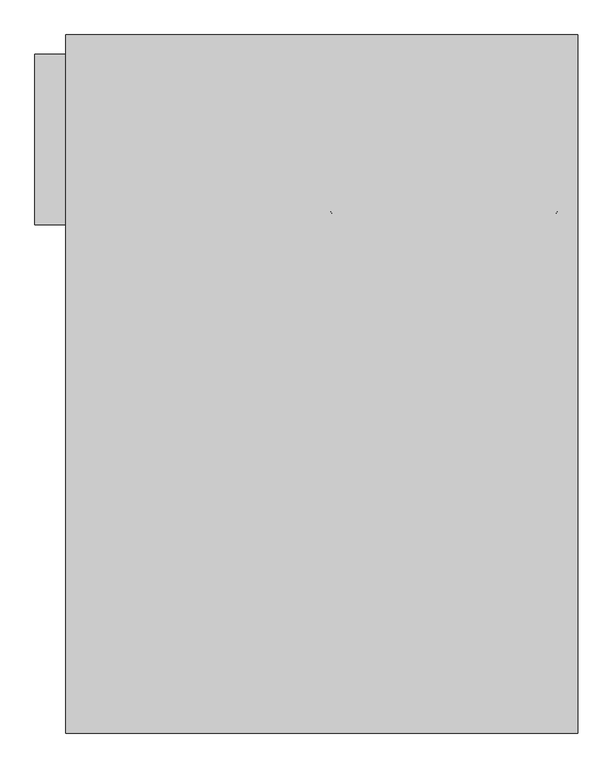
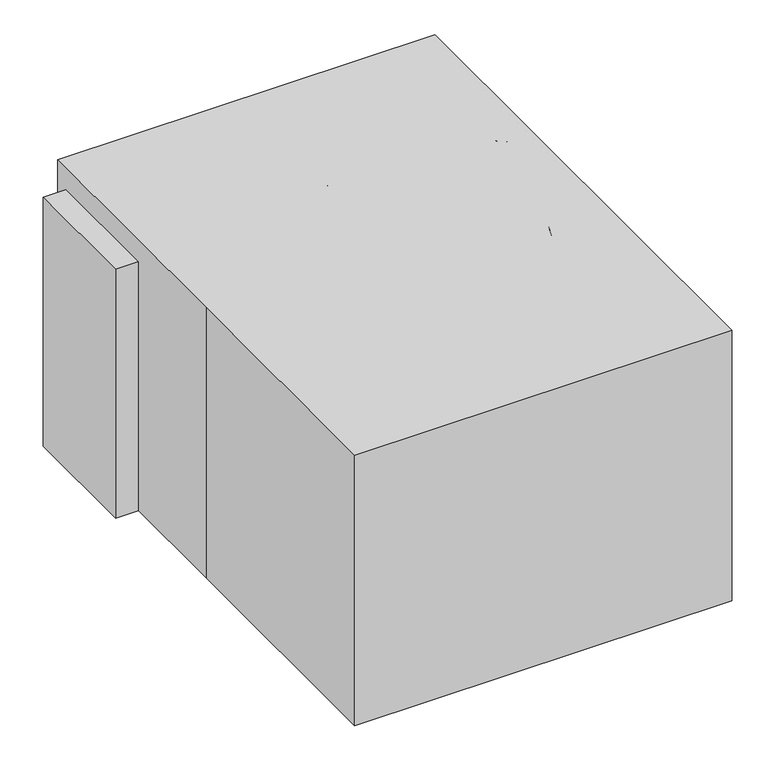
"""IFC4 building model written with IfcOpenShell, lengths in millimetres: proxy geometry."""

from ifc_helpers import new_model, si_unit, point, frame, frame_2d, origin, origin_with_axes, place, context, project, spatial, polyline, circle_curve, ellipse_curve, trimmed, segment, composite_curve, outline, extrude, source, transform, mapped, element, save
from ifc_brep_helpers import plane_surface, cylinder_surface, revolved_surface, advanced_brep


def specialty_equipment_1253727b(model_context):
    return source(origin(), model_context, "Body", "SolidModel", [
        advanced_brep(
        [(-72.5997223, 1051.5011437, 163.5125), (-809.1997223, 1051.5011437, 163.5125), (-809.1997223, 1051.5011437, 1031.748), (-758.3997223, 1051.5011437, 1031.748), (-123.3997223, 1051.5011437, 1031.748), (-72.5997223, 1051.5011437, 1031.748), (-758.3997223, 1051.5011437, 996.442), (-758.3997223, 1051.5011437, 221.742), (-123.3997223, 1051.5011437, 221.742), (-123.3997223, 1051.5011437, 996.442), (-809.1997223, 549.8511437, 163.5125), (-809.1997223, 549.8511437, 1031.748), (-809.1997223, 600.6511437, 1031.748), (-809.1997223, 1000.7011437, 1031.748), (-809.1997223, 1000.7011437, 221.742), (-809.1997223, 1000.7011437, 996.442), (-809.1997223, 608.8862999, 996.442), (-809.1997223, 608.8862999, 221.742), (-777.4497223, 1000.7011437, 221.742), (-777.4497223, 1000.7011437, 996.442), (-777.4497223, 608.8862999, 221.742), (-777.4497223, 608.8862999, 996.442), (-72.5997223, 549.8511437, 163.5125), (-72.5997223, 549.8511437, 1031.748), (-123.3997223, 549.8511437, 1031.748), (-758.3997223, 549.8511437, 1031.748), (-758.3997223, 549.8511437, 221.742), (-758.3997223, 549.8511437, 996.442), (-123.3997223, 549.8511437, 996.442), (-123.3997223, 549.8511437, 221.742), (-758.3997223, 1039.2315193, 221.742), (-758.3997223, 1039.2315193, 996.442), (-123.3997223, 1039.2315193, 221.742), (-123.3997223, 1039.2315193, 996.442), (-72.5997223, 1000.7011437, 1031.748), (-72.5997223, 600.6511437, 1031.748), (-72.5997223, 600.6511437, 221.742), (-72.5997223, 600.6511437, 996.442), (-72.5997223, 1000.7011437, 996.442), (-72.5997223, 1000.7011437, 221.742), (-104.3497223, 600.6511437, 221.742), (-104.3497223, 600.6511437, 996.442), (-104.3497223, 1000.7011437, 221.742), (-104.3497223, 1000.7011437, 996.442), (-123.3997223, 1045.1511437, 221.742), (-123.3997223, 1045.1511437, 996.442), (-758.3997223, 1045.1511437, 221.742), (-758.3997223, 1045.1511437, 996.442), (-72.5997223, 1080.0761437, 1066.8), (-809.1997223, 1080.0761437, 1066.8), (-850.4747223, 1038.8011437, 1066.8), (-850.4747223, 562.5511437, 1066.8), (-809.1997223, 521.2761437, 1066.8), (-758.3997223, 521.2761437, 1066.8), (-758.3997223, 549.8511437, 1066.8), (-809.1997223, 600.6511437, 1066.8), (-809.1997223, 1000.7011437, 1066.8), (-758.3997223, 1051.5011437, 1066.8), (-123.3997223, 1051.5011437, 1066.8), (-72.5997223, 1000.7011437, 1066.8), (-72.5997223, 600.6511437, 1066.8), (-123.3997223, 549.8511437, 1066.8), (-123.3997223, 521.2761437, 1066.8), (-72.5997223, 521.2761437, 1066.8), (-31.3247223, 562.5511437, 1066.8), (-31.3247223, 1038.8011437, 1066.8), (-72.5997223, 1080.0761437, 1031.748), (-31.3247223, 1038.8011437, 1031.748), (-31.3247223, 562.5511437, 1031.748), (-72.5997223, 521.2761437, 1031.748), (-809.1997223, 521.2761437, 1031.748), (-850.4747223, 562.5511437, 1031.748), (-850.4747223, 1038.8011437, 1031.748), (-809.1997223, 1080.0761437, 1031.748), (-141.3602345, 521.2761437, 1048.8394878), (-740.4392101, 521.2761437, 1048.8394878), (-740.4392101, 549.8511437, 1048.8394878), (-141.3602345, 549.8511437, 1048.8394878)],
        [
            (0, 1),
            (1, 2),
            (2, 3),
            (3, 4),
            (4, 5),
            (5, 0),
            (6, 7),
            (7, 8),
            (8, 9),
            (9, 6),
            (1, 10),
            (10, 11),
            (11, 12),
            (12, 13),
            (13, 2),
            (14, 15),
            (15, 16),
            (16, 17),
            (17, 14),
            (14, 18),
            (18, 19),
            (19, 15),
            (18, 20),
            (20, 21),
            (21, 19),
            (20, 17),
            (16, 21),
            (10, 22),
            (22, 23),
            (23, 24),
            (24, 25),
            (25, 11),
            (26, 27),
            (27, 28),
            (28, 29),
            (29, 26),
            (26, 30),
            (30, 31),
            (31, 27),
            (30, 32),
            (32, 33),
            (33, 31),
            (32, 29),
            (28, 33),
            (22, 0),
            (5, 34),
            (34, 35),
            (35, 23),
            (36, 37),
            (37, 38),
            (38, 39),
            (39, 36),
            (36, 40),
            (40, 41),
            (41, 37),
            (40, 42),
            (42, 43),
            (43, 41),
            (42, 39),
            (38, 43),
            (8, 44),
            (44, 45),
            (45, 9),
            (44, 46),
            (46, 47),
            (47, 45),
            (6, 47),
            (46, 7),
            (3, 13, circle_curve(frame((-758.3997223, 1000.7011437, 1031.748), z_axis=(0.0, 0.0, 1.0), x_axis=(1.0, 0.0, 0.0)), 50.8)),
            (12, 25, circle_curve(frame((-758.3997223, 600.6511437, 1031.748), z_axis=(0.0, 0.0, 1.0), x_axis=(1.0, 0.0, 0.0)), 50.8)),
            (24, 35, circle_curve(frame((-123.3997223, 600.6511437, 1031.748), z_axis=(0.0, 0.0, 1.0), x_axis=(1.0, 0.0, 0.0)), 50.8)),
            (34, 4, circle_curve(frame((-123.3997223, 1000.7011437, 1031.748), z_axis=(0.0, 0.0, 1.0), x_axis=(1.0, 0.0, 0.0)), 50.8)),
            (48, 49),
            (49, 50, circle_curve(frame((-809.1997223, 1038.8011437, 1066.8), z_axis=(0.0, 0.0, 1.0), x_axis=(1.0, 0.0, 0.0)), 41.275)),
            (50, 51),
            (51, 52, circle_curve(frame((-809.1997223, 562.5511437, 1066.8), z_axis=(0.0, 0.0, 1.0), x_axis=(1.0, 0.0, 0.0)), 41.275)),
            (52, 53),
            (53, 54),
            (54, 55, circle_curve(frame((-758.3997223, 600.6511437, 1066.8), z_axis=(0.0, 0.0, -1.0), x_axis=(1.0, 0.0, 0.0)), 50.8)),
            (55, 56),
            (56, 57, circle_curve(frame((-758.3997223, 1000.7011437, 1066.8), z_axis=(0.0, 0.0, -1.0), x_axis=(1.0, 0.0, 0.0)), 50.8)),
            (57, 58),
            (58, 59, circle_curve(frame((-123.3997223, 1000.7011437, 1066.8), z_axis=(0.0, 0.0, -1.0), x_axis=(1.0, 0.0, 0.0)), 50.8)),
            (59, 60),
            (60, 61, circle_curve(frame((-123.3997223, 600.6511437, 1066.8), z_axis=(0.0, 0.0, -1.0), x_axis=(1.0, 0.0, 0.0)), 50.8)),
            (61, 62),
            (62, 63),
            (63, 64, circle_curve(frame((-72.5997223, 562.5511437, 1066.8), z_axis=(0.0, 0.0, 1.0), x_axis=(1.0, 0.0, 0.0)), 41.275)),
            (64, 65),
            (65, 48, circle_curve(frame((-72.5997223, 1038.8011437, 1066.8), z_axis=(0.0, 0.0, 1.0), x_axis=(1.0, 0.0, 0.0)), 41.275)),
            (66, 67, circle_curve(frame((-72.5997223, 1038.8011437, 1031.748), z_axis=(0.0, 0.0, -1.0), x_axis=(1.0, 0.0, 0.0)), 41.275)),
            (67, 68),
            (68, 69, circle_curve(frame((-72.5997223, 562.5511437, 1031.748), z_axis=(0.0, 0.0, -1.0), x_axis=(1.0, 0.0, 0.0)), 41.275)),
            (69, 70),
            (70, 71, circle_curve(frame((-809.1997223, 562.5511437, 1031.748), z_axis=(0.0, 0.0, -1.0), x_axis=(1.0, 0.0, 0.0)), 41.275)),
            (71, 72),
            (72, 73, circle_curve(frame((-809.1997223, 1038.8011437, 1031.748), z_axis=(0.0, 0.0, -1.0), x_axis=(1.0, 0.0, 0.0)), 41.275)),
            (73, 66),
            (25, 24),
            (35, 34),
            (4, 3),
            (13, 12),
            (48, 66),
            (73, 49),
            (72, 50),
            (71, 51),
            (70, 52),
            (69, 63),
            (62, 74),
            (74, 75),
            (75, 53),
            (68, 64),
            (67, 65),
            (54, 25),
            (12, 55),
            (13, 56),
            (3, 57),
            (4, 58),
            (34, 59),
            (35, 60),
            (24, 61),
            (54, 76),
            (76, 77),
            (77, 61),
            (75, 76),
            (74, 77),
        ],
        [
            plane_surface(frame((-758.3997223, 1051.5011437, 996.442), z_axis=(0.0, 1.0, 0.0), x_axis=(0.0, 0.0, -1.0))),
            plane_surface(frame((-809.1997223, 1051.5011437, 996.442), z_axis=(-1.0, 0.0, 0.0), x_axis=(0.0, 0.0, -1.0))),
            plane_surface(frame((-809.1997223, 1000.7011437, 996.442), z_axis=(0.0, -1.0, 0.0), x_axis=(0.0, 0.0, -1.0))),
            plane_surface(frame((-777.4497223, 1000.7011437, 996.442), z_axis=(-1.0, 0.0, 0.0), x_axis=(0.0, 0.0, -1.0))),
            plane_surface(frame((-777.4497223, 608.8862999, 996.442), z_axis=(0.0, 1.0, 0.0), x_axis=(0.0, 0.0, -1.0))),
            plane_surface(frame((-809.1997223, 549.8511437, 996.442), z_axis=(0.0, -1.0, 0.0), x_axis=(0.0, 0.0, -1.0))),
            plane_surface(frame((-758.3997223, 549.8511437, 996.442), z_axis=(1.0, 0.0, 0.0), x_axis=(0.0, 0.0, -1.0))),
            plane_surface(frame((-758.3997223, 1039.2315193, 996.442), z_axis=(0.0, -1.0, 0.0), x_axis=(0.0, 0.0, -1.0))),
            plane_surface(frame((-123.3997223, 1039.2315193, 996.442), z_axis=(-1.0, 0.0, 0.0), x_axis=(0.0, 0.0, -1.0))),
            plane_surface(frame((-72.5997223, 549.8511437, 996.442), z_axis=(1.0, 0.0, 0.0), x_axis=(0.0, 0.0, -1.0))),
            plane_surface(frame((-72.5997223, 600.6511437, 996.442), z_axis=(0.0, 1.0, 0.0), x_axis=(0.0, 0.0, -1.0))),
            plane_surface(frame((-104.3497223, 600.6511437, 996.442), z_axis=(1.0, 0.0, 0.0), x_axis=(0.0, 0.0, -1.0))),
            plane_surface(frame((-104.3497223, 1000.7011437, 996.442), z_axis=(0.0, -1.0, 0.0), x_axis=(0.0, 0.0, -1.0))),
            plane_surface(frame((-123.3997223, 1051.5011437, 996.442), z_axis=(-1.0, 0.0, 0.0), x_axis=(0.0, 0.0, -1.0))),
            plane_surface(frame((-123.3997223, 1045.1511437, 996.442), z_axis=(0.0, 1.0, 0.0), x_axis=(0.0, 0.0, -1.0))),
            plane_surface(frame((-758.3997223, 1045.1511437, 996.442), z_axis=(1.0, 0.0, 0.0), x_axis=(0.0, 0.0, -1.0))),
            plane_surface(frame((-72.5997223, 549.8511437, 221.742), z_axis=(0.0, 0.0, 1.0), x_axis=(0.0, 1.0, 0.0))),
            plane_surface(frame((-809.1997223, 549.8511437, 163.5125), z_axis=(0.0, 0.0, -1.0), x_axis=(0.0, 1.0, 0.0))),
            plane_surface(frame((-809.1997223, 549.8511437, 996.442), z_axis=(0.0, 0.0, -1.0), x_axis=(0.0, 1.0, 0.0))),
            plane_surface(frame((-72.5997223, 549.8511437, 1031.748), z_axis=(0.0, 0.0, 1.0), x_axis=(0.0, 1.0, 0.0))),
            plane_surface(frame((-809.1997223, 1080.0761437, 1066.8), z_axis=(0.0, 0.0, 1.0), x_axis=(-1.0, 0.0, 0.0))),
            plane_surface(frame((-809.1997223, 1080.0761437, 1031.748), z_axis=(0.0, 0.0, -1.0), x_axis=(1.0, 0.0, 0.0))),
            plane_surface(frame((-72.5997223, 1080.0761437, 1066.8), z_axis=(0.0, 1.0, 0.0), x_axis=(0.0, 0.0, -1.0))),
            cylinder_surface(frame((-809.1997223, 1038.8011437, 1031.748), z_axis=(0.0, 0.0, 1.0), x_axis=(1.0, 0.0, 0.0)), 41.275),
            plane_surface(frame((-850.4747223, 1038.8011437, 1066.8), z_axis=(-1.0, 0.0, 0.0), x_axis=(0.0, 0.0, -1.0))),
            cylinder_surface(frame((-809.1997223, 562.5511437, 1031.748), z_axis=(0.0, 0.0, 1.0), x_axis=(1.0, 0.0, 0.0)), 41.275),
            plane_surface(frame((-809.1997223, 521.2761437, 1066.8), z_axis=(0.0, -1.0, 0.0), x_axis=(0.0, 0.0, -1.0))),
            cylinder_surface(frame((-72.5997223, 562.5511437, 1031.748), z_axis=(0.0, 0.0, 1.0), x_axis=(1.0, 0.0, 0.0)), 41.275),
            plane_surface(frame((-31.3247223, 562.5511437, 1066.8), z_axis=(1.0, 0.0, 0.0), x_axis=(0.0, 0.0, -1.0))),
            cylinder_surface(frame((-72.5997223, 1038.8011437, 1031.748), z_axis=(0.0, 0.0, 1.0), x_axis=(1.0, 0.0, 0.0)), 41.275),
            revolved_surface(polyline([(-707.5997223, 600.6511437, 1031.748), (-707.5997223, 600.6511437, 1066.8)]), (-758.3997223, 600.6511437, 0.0), (0.0, 0.0, -1.0)),
            plane_surface(frame((-809.1997223, 600.6511437, 1066.8), z_axis=(1.0, 0.0, 0.0), x_axis=(0.0, 0.0, -1.0))),
            revolved_surface(polyline([(-707.5997223, 1000.7011437, 1031.748), (-707.5997223, 1000.7011437, 1066.8)]), (-758.3997223, 1000.7011437, 0.0), (0.0, 0.0, -1.0)),
            plane_surface(frame((-758.3997223, 1051.5011437, 1066.8), z_axis=(0.0, -1.0, 0.0), x_axis=(0.0, 0.0, -1.0))),
            revolved_surface(polyline([(-72.5997223, 1000.7011437, 1031.748), (-72.5997223, 1000.7011437, 1066.8)]), (-123.3997223, 1000.7011437, 0.0), (0.0, 0.0, -1.0)),
            plane_surface(frame((-72.5997223, 1000.7011437, 1066.8), z_axis=(-1.0, 0.0, 0.0), x_axis=(0.0, 0.0, -1.0))),
            revolved_surface(polyline([(-72.5997223, 600.6511437, 1031.748), (-72.5997223, 600.6511437, 1066.8)]), (-123.3997223, 600.6511437, 0.0), (0.0, 0.0, -1.0)),
            plane_surface(frame((-123.3997223, 549.8511437, 1066.8), z_axis=(0.0, 1.0, 0.0), x_axis=(0.0, 0.0, -1.0))),
            plane_surface(frame((-758.3997223, 521.2761437, 1066.8), z_axis=(0.7071067811865736, 0.0, 0.7071067811865216), x_axis=(0.0, 1.0, 0.0))),
            plane_surface(frame((-740.4392101, 521.2761437, 1048.8394878), z_axis=(0.0, 0.0, 1.0), x_axis=(0.0, 1.0, 0.0))),
            plane_surface(frame((-141.3602345, 521.2761437, 1048.8394878), z_axis=(-0.7071067811864703, 0.0, 0.7071067811866248), x_axis=(0.0, 1.0, 0.0))),
        ],
        [
            (0, [[1, 2, 3, 4, 5, 6], [7, 8, 9, 10]]),
            (1, [[11, 12, 13, 14, 15, -2], [16, 17, 18, 19]]),
            (2, [[-16, 20, 21, 22]]),
            (3, [[-21, 23, 24, 25]]),
            (4, [[-24, 26, -18, 27]]),
            (5, [[28, 29, 30, 31, 32, -12], [33, 34, 35, 36]]),
            (6, [[-33, 37, 38, 39]]),
            (7, [[-38, 40, 41, 42]]),
            (8, [[-41, 43, -35, 44]]),
            (9, [[45, -6, 46, 47, 48, -29], [49, 50, 51, 52]]),
            (10, [[-49, 53, 54, 55]]),
            (11, [[-54, 56, 57, 58]]),
            (12, [[-57, 59, -51, 60]]),
            (13, [[-9, 61, 62, 63]]),
            (14, [[-62, 64, 65, 66]]),
            (15, [[-7, 67, -65, 68]]),
            (16, [[-8, -68, -64, -61]]),
            (16, [[-19, -26, -23, -20]]),
            (16, [[-36, -43, -40, -37]]),
            (16, [[-52, -59, -56, -53]]),
            (17, [[-28, -11, -1, -45]]),
            (18, [[-10, -63, -66, -67]]),
            (18, [[-34, -39, -42, -44]]),
            (18, [[-50, -55, -58, -60]]),
            (18, [[-17, -22, -25, -27]]),
            (19, [[-4, 69, -14, 70, -31, 71, -47, 72]]),
            (20, [[73, 74, 75, 76, 77, 78, 79, 80, 81, 82, 83, 84, 85, 86, 87, 88, 89, 90]]),
            (21, [[91, 92, 93, 94, 95, 96, 97, 98], [99, -30, -48, 100, -46, -5, 101, -3, -15, 102, -13, -32]]),
            (22, [[-73, 103, -98, 104]]),
            (23, [[-74, -104, -97, 105]]),
            (24, [[-75, -105, -96, 106]]),
            (25, [[-76, -106, -95, 107]]),
            (26, [[-94, 108, -87, 109, 110, 111, -77, -107]]),
            (27, [[-88, -108, -93, 112]]),
            (28, [[-89, -112, -92, 113]]),
            (29, [[-90, -113, -91, -103]]),
            (30, [[-79, 114, -70, 115]]),
            (31, [[-80, -115, -102, 116]]),
            (32, [[-81, -116, -69, 117]]),
            (33, [[-82, -117, -101, 118]]),
            (34, [[-83, -118, -72, 119]]),
            (35, [[-84, -119, -100, 120]]),
            (36, [[-85, -120, -71, 121]]),
            (37, [[-99, -114, 122, 123, 124, -121]]),
            (38, [[125, -122, -78, -111]]),
            (39, [[126, -123, -125, -110]]),
            (40, [[-126, -109, -86, -124]]),
        ],
    ),
        extrude(outline(polyline([(-745.6997223, 608.8862999), (-758.3997223, 608.8862999), (-758.3997223, 1039.2315193), (-745.6997223, 1039.2315193), (-745.6997223, 608.8862999)])), frame((0.0, 0.0, 288.0734502), z_axis=(0.0, 0.0, 1.0), x_axis=(1.0, 0.0, 0.0)), (0.0, 0.0, 1.0), 3.175),
        extrude(outline(polyline([(-123.3997223, 608.8862999), (-136.0997223, 608.8862999), (-136.0997223, 1039.2315193), (-123.3997223, 1039.2315193), (-123.3997223, 608.8862999)])), frame((0.0, 0.0, 288.0734502), z_axis=(0.0, 0.0, 1.0), x_axis=(1.0, 0.0, 0.0)), (0.0, 0.0, 1.0), 3.175),
        extrude(outline(polyline([(-745.6997223, 608.8862999), (-758.3997223, 608.8862999), (-758.3997223, 1039.2315193), (-745.6997223, 1039.2315193), (-745.6997223, 608.8862999)])), frame((0.0, 0.0, 364.2734502), z_axis=(0.0, 0.0, 1.0), x_axis=(1.0, 0.0, 0.0)), (0.0, 0.0, 1.0), 3.175),
        extrude(outline(polyline([(-123.3997223, 608.8862999), (-136.0997223, 608.8862999), (-136.0997223, 1039.2315193), (-123.3997223, 1039.2315193), (-123.3997223, 608.8862999)])), frame((0.0, 0.0, 364.2734502), z_axis=(0.0, 0.0, 1.0), x_axis=(1.0, 0.0, 0.0)), (0.0, 0.0, 1.0), 3.175),
        extrude(outline(polyline([(-745.6997223, 608.8862999), (-758.3997223, 608.8862999), (-758.3997223, 1039.2315193), (-745.6997223, 1039.2315193), (-745.6997223, 608.8862999)])), frame((0.0, 0.0, 440.4734502), z_axis=(0.0, 0.0, 1.0), x_axis=(1.0, 0.0, 0.0)), (0.0, 0.0, 1.0), 3.175),
        extrude(outline(polyline([(-123.3997223, 608.8862999), (-136.0997223, 608.8862999), (-136.0997223, 1039.2315193), (-123.3997223, 1039.2315193), (-123.3997223, 608.8862999)])), frame((0.0, 0.0, 440.4734502), z_axis=(0.0, 0.0, 1.0), x_axis=(1.0, 0.0, 0.0)), (0.0, 0.0, 1.0), 3.175),
        extrude(outline(polyline([(-745.6997223, 608.8862999), (-758.3997223, 608.8862999), (-758.3997223, 1039.2315193), (-745.6997223, 1039.2315193), (-745.6997223, 608.8862999)])), frame((0.0, 0.0, 516.6734502), z_axis=(0.0, 0.0, 1.0), x_axis=(1.0, 0.0, 0.0)), (0.0, 0.0, 1.0), 3.175),
        extrude(outline(polyline([(-123.3997223, 608.8862999), (-136.0997223, 608.8862999), (-136.0997223, 1039.2315193), (-123.3997223, 1039.2315193), (-123.3997223, 608.8862999)])), frame((0.0, 0.0, 516.6734502), z_axis=(0.0, 0.0, 1.0), x_axis=(1.0, 0.0, 0.0)), (0.0, 0.0, 1.0), 3.175),
        extrude(outline(polyline([(-745.6997223, 608.8862999), (-758.3997223, 608.8862999), (-758.3997223, 1039.2315193), (-745.6997223, 1039.2315193), (-745.6997223, 608.8862999)])), frame((0.0, 0.0, 592.8734502), z_axis=(0.0, 0.0, 1.0), x_axis=(1.0, 0.0, 0.0)), (0.0, 0.0, 1.0), 3.175),
        extrude(outline(polyline([(-123.3997223, 608.8862999), (-136.0997223, 608.8862999), (-136.0997223, 1039.2315193), (-123.3997223, 1039.2315193), (-123.3997223, 608.8862999)])), frame((0.0, 0.0, 592.8734502), z_axis=(0.0, 0.0, 1.0), x_axis=(1.0, 0.0, 0.0)), (0.0, 0.0, 1.0), 3.175),
        extrude(outline(polyline([(-745.6997223, 608.8862999), (-758.3997223, 608.8862999), (-758.3997223, 1039.2315193), (-745.6997223, 1039.2315193), (-745.6997223, 608.8862999)])), frame((0.0, 0.0, 669.0734502), z_axis=(0.0, 0.0, 1.0), x_axis=(1.0, 0.0, 0.0)), (0.0, 0.0, 1.0), 3.175),
        extrude(outline(polyline([(-123.3997223, 608.8862999), (-136.0997223, 608.8862999), (-136.0997223, 1039.2315193), (-123.3997223, 1039.2315193), (-123.3997223, 608.8862999)])), frame((0.0, 0.0, 669.0734502), z_axis=(0.0, 0.0, 1.0), x_axis=(1.0, 0.0, 0.0)), (0.0, 0.0, 1.0), 3.175),
        extrude(outline(polyline([(-745.6997223, 608.8862999), (-758.3997223, 608.8862999), (-758.3997223, 1039.2315193), (-745.6997223, 1039.2315193), (-745.6997223, 608.8862999)])), frame((0.0, 0.0, 745.2734502), z_axis=(0.0, 0.0, 1.0), x_axis=(1.0, 0.0, 0.0)), (0.0, 0.0, 1.0), 3.175),
        extrude(outline(polyline([(-123.3997223, 608.8862999), (-136.0997223, 608.8862999), (-136.0997223, 1039.2315193), (-123.3997223, 1039.2315193), (-123.3997223, 608.8862999)])), frame((0.0, 0.0, 745.2734502), z_axis=(0.0, 0.0, 1.0), x_axis=(1.0, 0.0, 0.0)), (0.0, 0.0, 1.0), 3.175),
        extrude(outline(polyline([(-745.6997223, 608.8862999), (-758.3997223, 608.8862999), (-758.3997223, 1039.2315193), (-745.6997223, 1039.2315193), (-745.6997223, 608.8862999)])), frame((0.0, 0.0, 821.4734502), z_axis=(0.0, 0.0, 1.0), x_axis=(1.0, 0.0, 0.0)), (0.0, 0.0, 1.0), 3.175),
        extrude(outline(polyline([(-123.3997223, 608.8862999), (-136.0997223, 608.8862999), (-136.0997223, 1039.2315193), (-123.3997223, 1039.2315193), (-123.3997223, 608.8862999)])), frame((0.0, 0.0, 821.4734502), z_axis=(0.0, 0.0, 1.0), x_axis=(1.0, 0.0, 0.0)), (0.0, 0.0, 1.0), 3.175),
        extrude(outline(polyline([(-745.6997223, 608.8862999), (-758.3997223, 608.8862999), (-758.3997223, 1039.2315193), (-745.6997223, 1039.2315193), (-745.6997223, 608.8862999)])), frame((0.0, 0.0, 897.6734502), z_axis=(0.0, 0.0, 1.0), x_axis=(1.0, 0.0, 0.0)), (0.0, 0.0, 1.0), 3.175),
        extrude(outline(polyline([(-123.3997223, 608.8862999), (-136.0997223, 608.8862999), (-136.0997223, 1039.2315193), (-123.3997223, 1039.2315193), (-123.3997223, 608.8862999)])), frame((0.0, 0.0, 897.6734502), z_axis=(0.0, 0.0, 1.0), x_axis=(1.0, 0.0, 0.0)), (0.0, 0.0, 1.0), 3.175),
        extrude(outline(polyline([(-745.6997223, 600.6511437), (-758.3997223, 600.6511437), (-758.3997223, 1039.2315193), (-745.6997223, 1039.2315193), (-745.6997223, 600.6511437)])), frame((0.0, 0.0, 973.8734502), z_axis=(0.0, 0.0, 1.0), x_axis=(1.0, 0.0, 0.0)), (0.0, 0.0, 1.0), 3.175),
        extrude(outline(polyline([(-123.3997223, 600.6511437), (-136.0997223, 600.6511437), (-136.0997223, 1039.2315193), (-123.3997223, 1039.2315193), (-123.3997223, 600.6511437)])), frame((0.0, 0.0, 973.8734502), z_axis=(0.0, 0.0, 1.0), x_axis=(1.0, 0.0, 0.0)), (0.0, 0.0, 1.0), 3.175),
        extrude(outline(polyline([(356.0252777, 1080.0761437), (356.0252777, 521.2761437), (-939.3747223, 521.2761437), (-939.3747223, 1080.0761437), (356.0252777, 1080.0761437)])), origin_with_axes(), (0.0, 0.0, 1.0), 1168.4),
        advanced_brep(
        [(31.7421387, 592.8097554, 1076.48952), (-19.0578613, 592.8097554, 1076.48952), (31.7421387, 558.2156793, 1144.3842171), (-19.0578613, 558.2156793, 1144.3842171), (82.5421387, 512.0902446, 1234.91048), (82.5421387, 535.152962, 1189.6473486), (717.5421387, 535.152962, 1189.6473486), (717.5421387, 512.0902446, 1234.91048), (819.1421387, 558.2156793, 1144.3842171), (768.3421387, 558.2156793, 1144.3842171), (768.3421387, 592.8097554, 1076.48952), (819.1421387, 592.8097554, 1076.48952)],
        [
            (0, 1, circle_curve(frame((6.3421387, 592.8097554, 1076.48952), z_axis=(0.0, 0.4539904997395515, -0.8910065241883656), x_axis=(-1.0, 0.0, 0.0)), 25.4)),
            (1, 0, circle_curve(frame((6.3421387, 592.8097554, 1076.48952), z_axis=(0.0, 0.4539904997395515, -0.8910065241883656), x_axis=(-1.0, 0.0, 0.0)), 25.4)),
            (0, 2),
            (2, 3, circle_curve(frame((6.3421387, 558.2156793, 1144.3842171), z_axis=(0.0, 0.4539904997395515, -0.8910065241883656), x_axis=(-1.0, 0.0, 0.0)), 25.4)),
            (3, 1),
            (3, 2, circle_curve(frame((6.3421387, 558.2156793, 1144.3842171), z_axis=(0.0, 0.4539904997395515, -0.8910065241883656), x_axis=(-1.0, 0.0, 0.0)), 25.4)),
            (4, 3, circle_curve(frame((82.5421387, 558.2156793, 1144.3842171), z_axis=(0.0, -0.8910065241883656, -0.4539904997395515), x_axis=(-1.0, 0.0, 0.0)), 101.6)),
            (2, 5, circle_curve(frame((82.5421387, 558.2156793, 1144.3842171), z_axis=(0.0, 0.8910065241883656, 0.4539904997395515), x_axis=(-1.0, 0.0, 0.0)), 50.8)),
            (5, 4, circle_curve(frame((82.5421387, 523.6216033, 1212.2789143), z_axis=(-1.0, 0.0, 0.0), x_axis=(0.0, -0.4539904997395515, 0.8910065241883656)), 25.4)),
            (4, 5, circle_curve(frame((82.5421387, 523.6216033, 1212.2789143), z_axis=(-1.0, 0.0, 0.0), x_axis=(0.0, -0.4539904997395515, 0.8910065241883656)), 25.4)),
            (5, 6),
            (6, 7, circle_curve(frame((717.5421387, 523.6216033, 1212.2789143), z_axis=(-1.0, 0.0, 0.0), x_axis=(0.0, -0.4539904997395515, 0.8910065241883656)), 25.4)),
            (7, 4),
            (7, 6, circle_curve(frame((717.5421387, 523.6216033, 1212.2789143), z_axis=(-1.0, 0.0, 0.0), x_axis=(0.0, -0.4539904997395515, 0.8910065241883656)), 25.4)),
            (8, 7, circle_curve(frame((717.5421387, 558.2156793, 1144.3842171), z_axis=(0.0, -0.8910065241883656, -0.4539904997395515), x_axis=(0.0, -0.4539904997395515, 0.8910065241883656)), 101.6)),
            (6, 9, circle_curve(frame((717.5421387, 558.2156793, 1144.3842171), z_axis=(0.0, 0.8910065241883656, 0.4539904997395515), x_axis=(0.0, -0.4539904997395515, 0.8910065241883656)), 50.8)),
            (9, 8, circle_curve(frame((793.7421387, 558.2156793, 1144.3842171), z_axis=(0.0, -0.4539904997395515, 0.8910065241883656), x_axis=(1.0000000000000002, 0.0, 0.0)), 25.4)),
            (8, 9, circle_curve(frame((793.7421387, 558.2156793, 1144.3842171), z_axis=(0.0, -0.4539904997395515, 0.8910065241883656), x_axis=(1.0000000000000002, 0.0, 0.0)), 25.4)),
            (10, 11, circle_curve(frame((793.7421387, 592.8097554, 1076.48952), z_axis=(0.0, 0.4539904997395515, -0.8910065241883656), x_axis=(1.0, 0.0, 0.0)), 25.4)),
            (11, 10, circle_curve(frame((793.7421387, 592.8097554, 1076.48952), z_axis=(0.0, 0.4539904997395515, -0.8910065241883656), x_axis=(1.0, 0.0, 0.0)), 25.4)),
            (9, 10),
            (11, 8),
        ],
        [
            plane_surface(frame((6.3421387, 592.8097554, 1076.48952), z_axis=(0.0, 0.4539904997395515, -0.8910065241883656), x_axis=(0.0, -0.8910065241883656, -0.4539904997395515))),
            cylinder_surface(frame((6.3421387, 592.8097554, 1076.48952), z_axis=(0.0, 0.4539904997395515, -0.8910065241883656), x_axis=(-1.0, 0.0, 0.0)), 25.4),
            revolved_surface(trimmed(ellipse_curve(frame((6.3421387, 558.2156793, 1144.3842171), z_axis=(0.0, 0.4539904997395515, -0.8910065241883656), x_axis=(-1.0, 0.0, 0.0)), 25.4, 25.4), [point((31.7421387, 558.2156793, 1144.3842171))], [point((-19.0578613, 558.2156793, 1144.3842171))], True, "CARTESIAN"), (82.5421387, 558.2156793, 1144.3842171), (0.0, 0.8910065241883656, 0.4539904997395515)),
            revolved_surface(trimmed(ellipse_curve(frame((6.3421387, 558.2156793, 1144.3842171), z_axis=(0.0, 0.4539904997395515, -0.8910065241883656), x_axis=(-1.0, 0.0, 0.0)), 25.4, 25.4), [point((-19.0578613, 558.2156793, 1144.3842171))], [point((31.7421387, 558.2156793, 1144.3842171))], True, "CARTESIAN"), (82.5421387, 558.2156793, 1144.3842171), (0.0, 0.8910065241883656, 0.4539904997395515)),
            cylinder_surface(frame((82.5421387, 523.6216033, 1212.2789143), z_axis=(-1.0000000000000002, 0.0, 0.0), x_axis=(0.0, -0.4539904997395515, 0.8910065241883656)), 25.4),
            revolved_surface(trimmed(ellipse_curve(frame((717.5421387, 523.6216033, 1212.2789143), z_axis=(-1.0000000000000002, 0.0, 0.0), x_axis=(0.0, -0.4539904997395515, 0.8910065241883656)), 25.4, 25.4), [point((717.5421387, 535.152962, 1189.6473486))], [point((717.5421387, 512.0902446, 1234.91048))], True, "CARTESIAN"), (717.5421387, 558.2156793, 1144.3842171), (0.0, 0.8910065241883656, 0.4539904997395515)),
            revolved_surface(trimmed(ellipse_curve(frame((717.5421387, 523.6216033, 1212.2789143), z_axis=(-1.0000000000000002, 0.0, 0.0), x_axis=(0.0, -0.4539904997395515, 0.8910065241883656)), 25.4, 25.4), [point((717.5421387, 512.0902446, 1234.91048))], [point((717.5421387, 535.152962, 1189.6473486))], True, "CARTESIAN"), (717.5421387, 558.2156793, 1144.3842171), (0.0, 0.8910065241883656, 0.4539904997395515)),
            plane_surface(frame((793.7421387, 592.8097554, 1076.48952), z_axis=(0.0, 0.4539904997395516, -0.8910065241883655), x_axis=(0.0, -0.8910065241883655, -0.4539904997395516))),
            cylinder_surface(frame((793.7421387, 558.2156793, 1144.3842171), z_axis=(0.0, -0.4539904997395515, 0.8910065241883656), x_axis=(1.0, 0.0, 0.0)), 25.4),
        ],
        [
            (0, [[1, 2]]),
            (1, [[-1, 3, 4, 5]]),
            (1, [[-2, -5, 6, -3]]),
            (2, [[7, -4, 8, 9]]),
            (3, [[-8, -6, -7, 10]]),
            (4, [[-9, 11, 12, 13]]),
            (4, [[-10, -13, 14, -11]]),
            (5, [[15, -12, 16, 17]]),
            (6, [[-16, -14, -15, 18]]),
            (7, [[19, 20]]),
            (8, [[-17, 21, -20, 22]]),
            (8, [[-18, -22, -19, -21]]),
        ],
    ),
        advanced_brep(
        [(793.7421387, 952.5, 457.2), (793.7421387, 1003.3, 457.2), (793.7421387, 1003.3, 990.6), (793.7421387, 952.5, 990.6), (793.7421387, 901.7, 1041.4), (793.7421387, 901.7, 1092.2), (793.7421387, 293.4922628, 1092.2), (793.7421387, 293.4922628, 1041.4), (793.7421387, 135.0713028, 782.8804891), (793.7421387, 89.8081714, 759.8177718), (793.7421387, 487.6497327, 90.9063587), (793.7421387, 442.3866013, 67.8436413)],
        [
            (0, 1, circle_curve(frame((793.7421387, 977.9, 457.2), z_axis=(0.0, 0.0, -1.0), x_axis=(0.0, 1.0, 0.0)), 25.4)),
            (1, 0, circle_curve(frame((793.7421387, 977.9, 457.2), z_axis=(0.0, 0.0, -1.0), x_axis=(0.0, 1.0, 0.0)), 25.4)),
            (1, 2),
            (2, 3, circle_curve(frame((793.7421387, 977.9, 990.6), z_axis=(0.0, 0.0, -1.0), x_axis=(0.0, 1.0, 0.0)), 25.4)),
            (3, 0),
            (3, 2, circle_curve(frame((793.7421387, 977.9, 990.6), z_axis=(0.0, 0.0, -1.0), x_axis=(0.0, 1.0, 0.0)), 25.4)),
            (4, 3, circle_curve(frame((793.7421387, 901.7, 990.6), z_axis=(-1.0, 0.0, 0.0), x_axis=(0.0, 1.0, 0.0)), 50.8)),
            (2, 5, circle_curve(frame((793.7421387, 901.7, 990.6), z_axis=(1.0, 0.0, 0.0), x_axis=(0.0, 1.0, 0.0)), 101.6)),
            (5, 4, circle_curve(frame((793.7421387, 901.7, 1066.8), z_axis=(0.0, 1.0, 0.0), x_axis=(0.0, 0.0, 1.0)), 25.4)),
            (4, 5, circle_curve(frame((793.7421387, 901.7, 1066.8), z_axis=(0.0, 1.0, 0.0), x_axis=(0.0, 0.0, 1.0)), 25.4)),
            (5, 6),
            (6, 7, circle_curve(frame((793.7421387, 293.4922628, 1066.8), z_axis=(0.0, 1.0, 0.0), x_axis=(0.0, 0.0, 1.0)), 25.4)),
            (7, 4),
            (7, 6, circle_curve(frame((793.7421387, 293.4922628, 1066.8), z_axis=(0.0, 1.0, 0.0), x_axis=(0.0, 0.0, 1.0)), 25.4)),
            (8, 7, circle_curve(frame((793.7421387, 293.4922628, 863.6), z_axis=(-1.0, 0.0, 0.0), x_axis=(0.0, 0.0, 1.0)), 177.8)),
            (6, 9, circle_curve(frame((793.7421387, 293.4922628, 863.6), z_axis=(1.0, 0.0, 0.0), x_axis=(0.0, 0.0, 1.0)), 228.6)),
            (9, 8, circle_curve(frame((793.7421387, 112.4397371, 771.3491305), z_axis=(0.0, -0.45399049973953914, 0.8910065241883718), x_axis=(0.0, -0.8910065241883718, -0.45399049973953914)), 25.4)),
            (8, 9, circle_curve(frame((793.7421387, 112.4397371, 771.3491305), z_axis=(0.0, -0.45399049973953953, 0.8910065241883716), x_axis=(0.0, -0.8910065241883716, -0.45399049973953953)), 25.4)),
            (10, 11, circle_curve(frame((793.7421387, 465.018167, 79.375), z_axis=(0.0, 0.45399049973954486, -0.8910065241883689), x_axis=(0.0, -0.8910065241883689, -0.45399049973954486)), 25.4)),
            (11, 10, circle_curve(frame((793.7421387, 465.018167, 79.375), z_axis=(0.0, 0.45399049973954486, -0.8910065241883689), x_axis=(0.0, -0.8910065241883689, -0.45399049973954486)), 25.4)),
            (9, 11),
            (10, 8),
        ],
        [
            plane_surface(frame((400.0421387, 977.9, 457.2), z_axis=(0.0, 0.0, -1.0), x_axis=(-1.0, 0.0, 0.0))),
            cylinder_surface(frame((793.7421387, 977.9, 457.2), z_axis=(0.0, 0.0, -1.0), x_axis=(0.0, 1.0, 0.0)), 25.4),
            revolved_surface(trimmed(ellipse_curve(frame((793.7421387, 977.9, 990.6), z_axis=(0.0, 0.0, -1.0), x_axis=(0.0, 1.0, 0.0)), 25.4, 25.4), [point((793.7421387, 1003.3, 990.6))], [point((793.7421387, 952.5, 990.6))], True, "CARTESIAN"), (400.0421387, 901.7, 990.6), (1.0, 0.0, 0.0)),
            revolved_surface(trimmed(ellipse_curve(frame((793.7421387, 977.9, 990.6), z_axis=(0.0, 0.0, -1.0), x_axis=(0.0, 1.0, 0.0)), 25.4, 25.4), [point((793.7421387, 952.5, 990.6))], [point((793.7421387, 1003.3, 990.6))], True, "CARTESIAN"), (400.0421387, 901.7, 990.6), (1.0, 0.0, 0.0)),
            cylinder_surface(frame((793.7421387, 901.7, 1066.8), z_axis=(0.0, 1.0, 0.0), x_axis=(0.0, 0.0, 1.0)), 25.4),
            revolved_surface(trimmed(ellipse_curve(frame((793.7421387, 293.4922628, 1066.8), z_axis=(0.0, 1.0, 0.0), x_axis=(0.0, 0.0, 1.0)), 25.4, 25.4), [point((793.7421387, 293.4922628, 1092.2))], [point((793.7421387, 293.4922628, 1041.4))], True, "CARTESIAN"), (400.0421387, 293.4922628, 863.6), (1.0, 0.0, 0.0)),
            revolved_surface(trimmed(ellipse_curve(frame((793.7421387, 293.4922628, 1066.8), z_axis=(0.0, 1.0, 0.0), x_axis=(0.0, 0.0, 1.0)), 25.4, 25.4), [point((793.7421387, 293.4922628, 1041.4))], [point((793.7421387, 293.4922628, 1092.2))], True, "CARTESIAN"), (400.0421387, 293.4922628, 863.6), (1.0, 0.0, 0.0)),
            plane_surface(frame((400.0421387, 465.018167, 79.375), z_axis=(0.0, 0.45399049973954486, -0.8910065241883689), x_axis=(-1.0, 0.0, 0.0))),
            cylinder_surface(frame((793.7421387, 112.4397371, 771.3491305), z_axis=(0.0, -0.45399049973954486, 0.8910065241883689), x_axis=(0.0, -0.8910065241883689, -0.45399049973954486)), 25.4),
        ],
        [
            (0, [[1, 2]]),
            (1, [[-2, 3, 4, 5]]),
            (1, [[-1, -5, 6, -3]]),
            (2, [[7, -4, 8, 9]]),
            (3, [[-8, -6, -7, 10]]),
            (4, [[-9, 11, 12, 13]]),
            (4, [[-10, -13, 14, -11]]),
            (5, [[15, -12, 16, 17]]),
            (6, [[-16, -14, -15, 18]]),
            (7, [[19, 20]]),
            (8, [[-17, 21, -19, 22]]),
            (8, [[-18, -22, -20, -21]]),
        ],
    ),
        advanced_brep(
        [(6.3421387, 1003.3, 457.2), (6.3421387, 952.5, 457.2), (6.3421387, 1003.3, 990.6), (6.3421387, 952.5, 990.6), (6.3421387, 901.7, 1041.4), (6.3421387, 901.7, 1092.2), (6.3421387, 293.4922628, 1092.2), (6.3421387, 293.4922628, 1041.4), (6.3421387, 135.0713028, 782.8804891), (6.3421387, 89.8081714, 759.8177718), (6.3421387, 442.3866013, 67.8436413), (6.3421387, 487.6497327, 90.9063587)],
        [
            (0, 1, circle_curve(frame((6.3421387, 977.9, 457.2), z_axis=(0.0, 0.0, -1.0), x_axis=(0.0, -1.0, 0.0)), 25.4)),
            (1, 0, circle_curve(frame((6.3421387, 977.9, 457.2), z_axis=(0.0, 0.0, -1.0), x_axis=(0.0, -1.0, 0.0)), 25.4)),
            (0, 2),
            (2, 3, circle_curve(frame((6.3421387, 977.9, 990.6), z_axis=(0.0, 0.0, -1.0), x_axis=(0.0, -1.0, 0.0)), 25.4)),
            (3, 1),
            (3, 2, circle_curve(frame((6.3421387, 977.9, 990.6), z_axis=(0.0, 0.0, -1.0), x_axis=(0.0, -1.0, 0.0)), 25.4)),
            (4, 3, circle_curve(frame((6.3421387, 901.7, 990.6), z_axis=(-1.0, 0.0, 0.0), x_axis=(0.0, 1.0, 0.0)), 50.8)),
            (2, 5, circle_curve(frame((6.3421387, 901.7, 990.6), z_axis=(1.0, 0.0, 0.0), x_axis=(0.0, 1.0, 0.0)), 101.6)),
            (5, 4, circle_curve(frame((6.3421387, 901.7, 1066.8), z_axis=(0.0, 1.0, 0.0), x_axis=(0.0, 0.0, -1.0)), 25.4)),
            (4, 5, circle_curve(frame((6.3421387, 901.7, 1066.8), z_axis=(0.0, 1.0, 0.0), x_axis=(0.0, 0.0, -1.0)), 25.4)),
            (5, 6),
            (6, 7, circle_curve(frame((6.3421387, 293.4922628, 1066.8), z_axis=(0.0, 1.0, 0.0), x_axis=(0.0, 0.0, -1.0)), 25.4)),
            (7, 4),
            (7, 6, circle_curve(frame((6.3421387, 293.4922628, 1066.8), z_axis=(0.0, 1.0, 0.0), x_axis=(0.0, 0.0, -1.0)), 25.4)),
            (8, 7, circle_curve(frame((6.3421387, 293.4922628, 863.6), z_axis=(-1.0, 0.0, 0.0), x_axis=(0.0, 0.0, 1.0)), 177.8)),
            (6, 9, circle_curve(frame((6.3421387, 293.4922628, 863.6), z_axis=(1.0, 0.0, 0.0), x_axis=(0.0, 0.0, 1.0)), 228.6)),
            (9, 8, circle_curve(frame((6.3421387, 112.4397371, 771.3491305), z_axis=(0.0, -0.45399049973953876, 0.8910065241883719), x_axis=(0.0, 0.8910065241883719, 0.45399049973953876)), 25.4)),
            (8, 9, circle_curve(frame((6.3421387, 112.4397371, 771.3491305), z_axis=(0.0, -0.45399049973953953, 0.8910065241883716), x_axis=(0.0, 0.8910065241883716, 0.45399049973953953)), 25.4)),
            (10, 11, circle_curve(frame((6.3421387, 465.018167, 79.375), z_axis=(0.0, 0.4539904997395448, -0.8910065241883689), x_axis=(0.0, 0.8910065241883689, 0.4539904997395448)), 25.4)),
            (11, 10, circle_curve(frame((6.3421387, 465.018167, 79.375), z_axis=(0.0, 0.4539904997395448, -0.8910065241883689), x_axis=(0.0, 0.8910065241883689, 0.4539904997395448)), 25.4)),
            (9, 10),
            (11, 8),
        ],
        [
            plane_surface(frame((400.0421387, 977.9, 457.2), z_axis=(0.0, 0.0, -1.0), x_axis=(1.0, 0.0, 0.0))),
            cylinder_surface(frame((6.3421387, 977.9, 457.2), z_axis=(0.0, 0.0, -1.0), x_axis=(0.0, -1.0, 0.0)), 25.4),
            revolved_surface(trimmed(ellipse_curve(frame((6.3421387, 977.9, 990.6), z_axis=(0.0, 0.0, -1.0), x_axis=(0.0, -1.0, 0.0)), 25.4, 25.4), [point((6.3421387, 1003.3, 990.6))], [point((6.3421387, 952.5, 990.6))], True, "CARTESIAN"), (400.0421387, 901.7, 990.6), (1.0, 0.0, 0.0)),
            revolved_surface(trimmed(ellipse_curve(frame((6.3421387, 977.9, 990.6), z_axis=(0.0, 0.0, -1.0), x_axis=(0.0, -1.0, 0.0)), 25.4, 25.4), [point((6.3421387, 952.5, 990.6))], [point((6.3421387, 1003.3, 990.6))], True, "CARTESIAN"), (400.0421387, 901.7, 990.6), (1.0, 0.0, 0.0)),
            cylinder_surface(frame((6.3421387, 901.7, 1066.8), z_axis=(0.0, 1.0, 0.0), x_axis=(0.0, 0.0, -1.0)), 25.4),
            revolved_surface(trimmed(ellipse_curve(frame((6.3421387, 293.4922628, 1066.8), z_axis=(0.0, 1.0, 0.0), x_axis=(0.0, 0.0, -1.0)), 25.4, 25.4), [point((6.3421387, 293.4922628, 1092.2))], [point((6.3421387, 293.4922628, 1041.4))], True, "CARTESIAN"), (400.0421387, 293.4922628, 863.6), (1.0, 0.0, 0.0)),
            revolved_surface(trimmed(ellipse_curve(frame((6.3421387, 293.4922628, 1066.8), z_axis=(0.0, 1.0, 0.0), x_axis=(0.0, 0.0, -1.0)), 25.4, 25.4), [point((6.3421387, 293.4922628, 1041.4))], [point((6.3421387, 293.4922628, 1092.2))], True, "CARTESIAN"), (400.0421387, 293.4922628, 863.6), (1.0, 0.0, 0.0)),
            plane_surface(frame((400.0421387, 465.018167, 79.375), z_axis=(0.0, 0.4539904997395448, -0.8910065241883689), x_axis=(1.0, 0.0, 0.0))),
            cylinder_surface(frame((6.3421387, 112.4397371, 771.3491305), z_axis=(0.0, -0.4539904997395448, 0.8910065241883689), x_axis=(0.0, 0.8910065241883689, 0.4539904997395448)), 25.4),
        ],
        [
            (0, [[1, 2]]),
            (1, [[-1, 3, 4, 5]]),
            (1, [[-2, -5, 6, -3]]),
            (2, [[7, -4, 8, 9]]),
            (3, [[-8, -6, -7, 10]]),
            (4, [[-9, 11, 12, 13]]),
            (4, [[-10, -13, 14, -11]]),
            (5, [[15, -12, 16, 17]]),
            (6, [[-16, -14, -15, 18]]),
            (7, [[19, 20]]),
            (8, [[-17, 21, -20, 22]]),
            (8, [[-18, -22, -19, -21]]),
        ],
    ),
        extrude(outline(composite_curve([segment(polyline([(-1047.75, 101.6), (495.3, 101.6), (495.3, 0.0), (-1098.55, 0.0), (-1098.55, 50.8)]), True, "CONTINUOUS"), segment(trimmed(circle_curve(frame_2d((-1047.75, 50.8)), 50.8), [point((-1098.55, 50.8))], [point((-1047.75, 101.6))], False, "CARTESIAN"), True, "CONTINUOUS")], self_intersect=False)), frame((-31.7578613, 0.0, 0.0), z_axis=(1.0, 0.0, 0.0), x_axis=(0.0, 1.0, 0.0)), (0.0, 0.0, 1.0), 76.2),
        extrude(outline(composite_curve([segment(polyline([(-1047.75, 101.6), (495.3, 101.6), (495.3, 0.0), (-1098.55, 0.0), (-1098.55, 50.8)]), True, "CONTINUOUS"), segment(trimmed(circle_curve(frame_2d((-1047.75, 50.8)), 50.8), [point((-1098.55, 50.8))], [point((-1047.75, 101.6))], False, "CARTESIAN"), True, "CONTINUOUS")], self_intersect=False)), frame((755.6421387, 0.0, 0.0), z_axis=(1.0, 0.0, 0.0), x_axis=(0.0, 1.0, 0.0)), (0.0, 0.0, 1.0), 76.2),
        extrude(outline(composite_curve([segment(trimmed(circle_curve(frame_2d((-1028.7, 41.275)), 38.1), [point((-1028.7, 3.175))], [point((-1028.7, 79.375))], False, "CARTESIAN"), True, "CONTINUOUS"), segment(polyline([(-1028.7, 79.375), (495.3, 79.375), (495.3, 3.175), (-1028.7, 3.175)]), True, "CONTINUOUS")], self_intersect=False)), frame((44.4421387, 0.0, 0.0), z_axis=(1.0, 0.0, 0.0), x_axis=(0.0, 1.0, 0.0)), (0.0, 0.0, 1.0), 711.2),
        extrude(outline(polyline([(495.3, 0.0), (495.3, 101.6), (850.9, 457.2), (1104.9, 457.2), (1104.9, 0.0), (495.3, 0.0)])), frame((-31.7578613, 0.0, 0.0), z_axis=(1.0, 0.0, 0.0), x_axis=(0.0, 1.0, 0.0)), (0.0, 0.0, 1.0), 863.6),
        extrude(outline(polyline([(-838.2, 1143.0), (838.2, 1143.0), (838.2, -1143.0), (-838.2, -1143.0), (-838.2, 0.0), (-838.2, 1143.0)])), origin_with_axes(), (0.0, 0.0, 1.0), 1270.0),
    ])


if __name__ == "__main__":
    model = new_model("IFC4")
    model_context = context("Model", 3, world=origin())
    ifc_project = project(units=[si_unit("LENGTHUNIT", "METRE", prefix="MILLI")], contexts=[model_context])
    site = spatial("IfcSite", under=ifc_project)
    building = spatial("IfcBuilding", under=site)
    placement = place(None, origin())
    specialty_equipment_shape = specialty_equipment_1253727b(model_context)
    element("IfcBuildingElementProxy", 1, Name="Specialty Equipment", at=placement, inside=building, context=model_context, shape_type="MappedRepresentation", body=[
        mapped(specialty_equipment_shape, transform((0.0, 0.0, 0.0), x_axis=(1.0, 0.0, 0.0), y_axis=(0.0, 1.0, 0.0), z_axis=(0.0, 0.0, 1.0))),
    ])
    save(model, "model.ifc")
